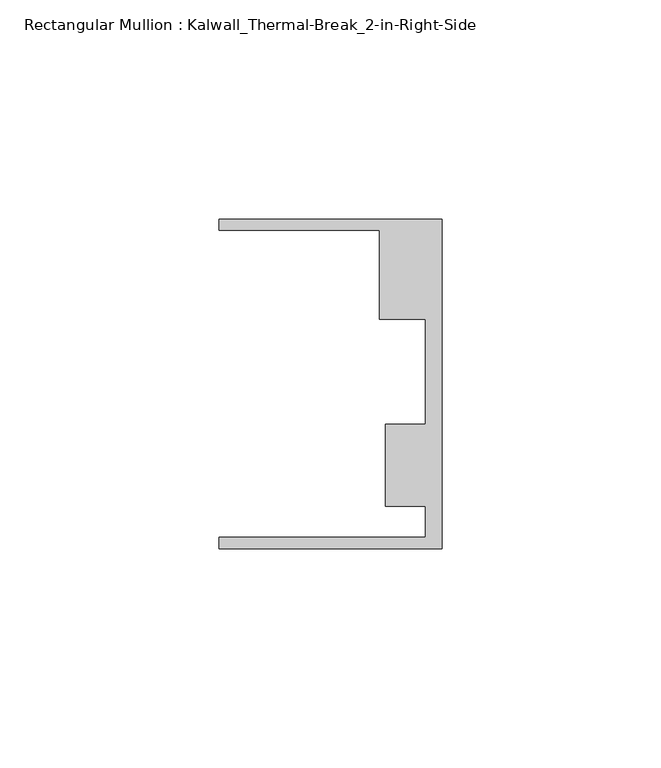
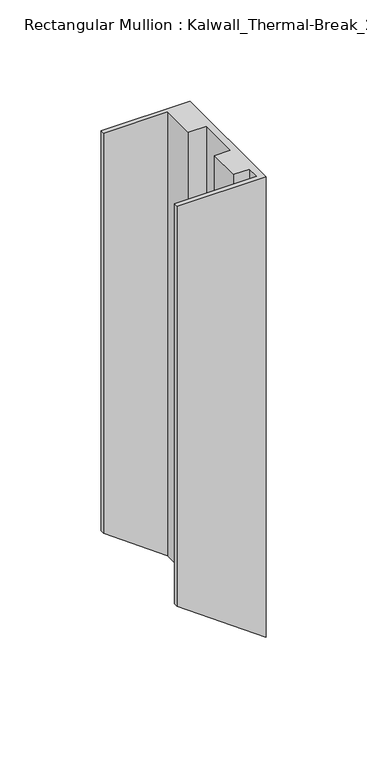
"""IFC4 building model written with IfcOpenShell, lengths in millimetres: member geometry, Rectangular Mullion : Kalwall_Thermal-Break_2-in-Right-Side."""

from ifc_helpers import new_model, si_unit, origin, place, context, project, spatial, faceted_brep, source, transform, mapped, element, save


def rectangular_mullion_kalwall_thermal_break_2_in_right_side_0d568599(model_context):
    return source(origin(), model_context, "Body", "Brep", [
        faceted_brep([(0.0, -37.5776386, 0.0), (0.0, 37.5023614, 0.0), (-50.8, 37.5023614, 0.0), (-50.8, 34.9623614, 0.0), (-14.1732, 34.9623614, 0.0), (-14.1732, 14.7439614, 0.0), (-3.7084, 14.7439614, 0.0), (-3.7084, -9.1879886, 0.0), (-12.8272539, -9.1879886, 0.0), (-12.8272539, -27.8888568, 0.0), (-3.7084, -27.8888568, 0.0), (-3.7084, -35.0376386, 0.0), (-50.8, -35.0376386, 0.0), (-50.8, -37.5776386, 0.0), (0.0, -37.5776386, -278.025), (0.0, 37.5023614, -278.025), (-50.8, 37.5023614, -241.4739773), (-50.8, 34.9623614, -241.4739773), (-14.1732, 34.9623614, -267.8272647), (-14.1732, 14.7439614, -267.8272647), (-3.7084, 14.7439614, -275.3567753), (-3.7084, -9.1879886, -275.3567753), (-12.8272539, -9.1879886, -268.7956841), (-12.8272539, -27.8888568, -268.7956841), (-3.7084, -27.8888568, -275.3567753), (-3.7084, -35.0376386, -275.3567753), (-50.8, -35.0376386, -241.4739773), (-50.8, -37.5776386, -241.4739773)], [[[0, 1, 2, 3, 4, 5, 6, 7, 8, 9, 10, 11, 12, 13]], [[1, 0, 14, 15]], [[2, 1, 15, 16]], [[3, 2, 16, 17]], [[4, 3, 17, 18]], [[5, 4, 18, 19]], [[6, 5, 19, 20]], [[7, 6, 20, 21]], [[8, 7, 21, 22]], [[9, 8, 22, 23]], [[10, 9, 23, 24]], [[11, 10, 24, 25]], [[12, 11, 25, 26]], [[13, 12, 26, 27]], [[0, 13, 27, 14]], [[14, 27, 26, 25, 24, 23, 22, 21, 20, 19, 18, 17, 16, 15]]]),
    ])


if __name__ == "__main__":
    model = new_model("IFC4")
    model_context = context("Model", 3, world=origin())
    ifc_project = project(units=[si_unit("LENGTHUNIT", "METRE", prefix="MILLI")], contexts=[model_context])
    site = spatial("IfcSite", under=ifc_project)
    building = spatial("IfcBuilding", under=site)
    placement = place(None, origin())
    rectangular_mullion_kalwall_thermal_break_2_in_right_side_shape = rectangular_mullion_kalwall_thermal_break_2_in_right_side_0d568599(model_context)
    element("IfcMember", 1, ObjectType="Rectangular Mullion : Kalwall_Thermal-Break_2-in-Right-Side", at=placement, inside=building, context=model_context, shape_type="MappedRepresentation", body=[
        mapped(rectangular_mullion_kalwall_thermal_break_2_in_right_side_shape, transform((0.0, 0.0, 0.0), x_axis=(1.0, 0.0, 0.0), y_axis=(0.0, 1.0, 0.0), z_axis=(0.0, 0.0, 1.0))),
    ])
    save(model, "model.ifc")
